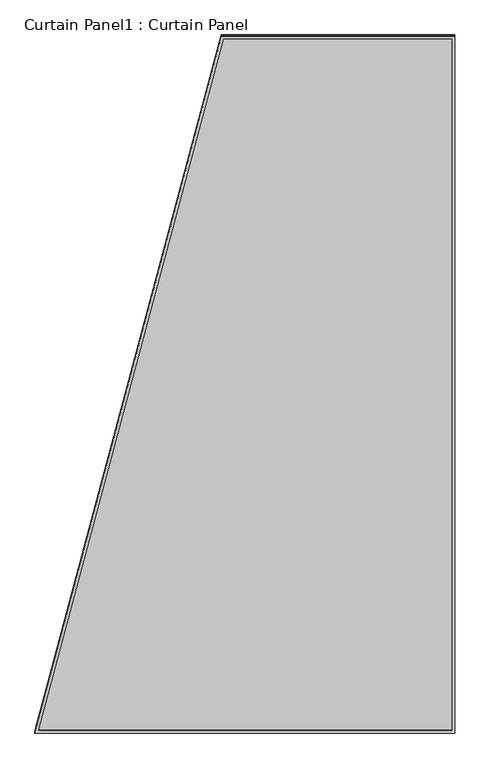
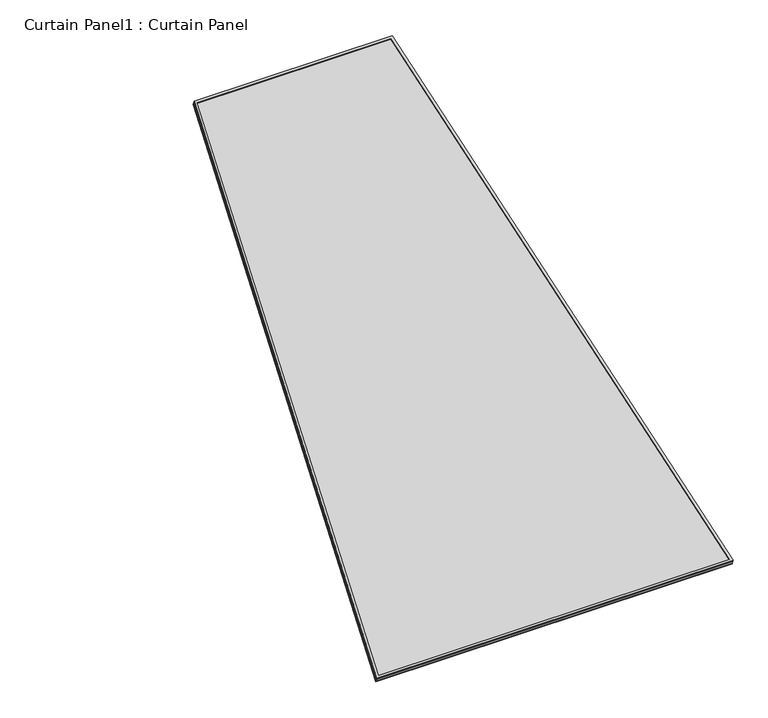
"""IFC4 building model written with IfcOpenShell, lengths in millimetres: plate geometry, Curtain Panel1 : Curtain Panel."""

from ifc_helpers import new_model, si_unit, frame, origin, place, context, project, spatial, polyline, outline, extrude, source, transform, mapped, element, save


def curtain_panel1_curtain_panel_681af963(model_context):
    return source(origin(), model_context, "Body", "SweptSolid", [
        extrude(outline(polyline([(903.4000632, -2842.276264), (-722.5243658, -2842.276264), (0.0, 0.0), (903.4000632, 0.0), (903.4000632, -2842.276264)]), holes=[polyline([(892.3206749, -11.0793884), (8.6153146, -11.0793884), (-708.2761519, -2831.1968757), (892.3206749, -2831.1968757), (892.3206749, -11.0793884)])]), frame((10510.429764, -5346.6964085, 889.4609181), z_axis=(0.0, -0.31614582397380586, 0.948710608132914), x_axis=(1.0, 0.0, 0.0)), (0.0, 0.0, 1.0), 4.7900697),
        extrude(outline(polyline([(903.4000632, -2842.276264), (-722.5243658, -2842.276264), (0.0, 0.0), (903.4000632, 0.0), (903.4000632, -2842.276264)]), holes=[polyline([(892.3206749, -11.0793884), (8.6153146, -11.0793884), (-708.2761519, -2831.1968757), (892.3206749, -2831.1968757), (892.3206749, -11.0793884)])]), frame((10510.429764, -5341.1105273, 872.6984486), z_axis=(0.0, -0.31614582397380575, 0.9487106081329141), x_axis=(1.0, 0.0, 0.0)), (0.0, 0.0, 1.0), 4.7436262),
        extrude(outline(polyline([(-596.6683727, 0.0), (1029.2560563, 0.0), (306.7316905, -2842.276264), (-596.6683727, -2842.276264), (-596.6683727, 0.0)])), frame((10817.1614545, -8039.1078479, -21.3749943), z_axis=(0.0, -0.3161458239738058, 0.948710608132914), x_axis=(-1.0, 0.0, 0.0)), (0.0, 0.0, 1.0), 12.9250595),
    ])


if __name__ == "__main__":
    model = new_model("IFC4")
    model_context = context("Model", 3, world=origin())
    ifc_project = project(units=[si_unit("LENGTHUNIT", "METRE", prefix="MILLI")], contexts=[model_context])
    site = spatial("IfcSite", under=ifc_project)
    building = spatial("IfcBuilding", under=site)
    placement = place(None, origin())
    curtain_panel1_curtain_panel_shape = curtain_panel1_curtain_panel_681af963(model_context)
    element("IfcPlate", 1, ObjectType="Curtain Panel1 : Curtain Panel", at=placement, inside=building, context=model_context, shape_type="MappedRepresentation", body=[
        mapped(curtain_panel1_curtain_panel_shape, transform((0.0, 0.0, 0.0), x_axis=(1.0, 0.0, 0.0), y_axis=(0.0, 1.0, 0.0), z_axis=(0.0, 0.0, 1.0))),
    ])
    save(model, "model.ifc")
